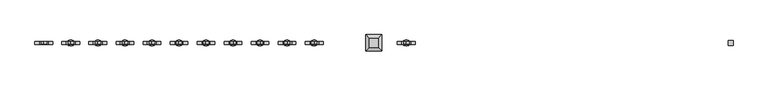
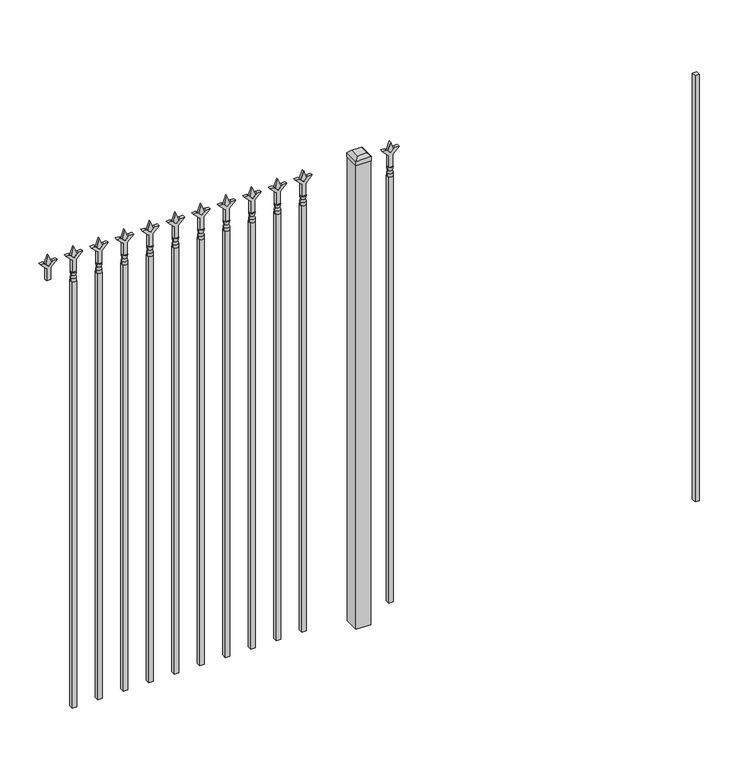
"""IFC4 building model written with IfcOpenShell, lengths in millimetres: railing geometry."""

from ifc_helpers import new_model, si_unit, frame, origin, origin_with_axes, place, context, project, spatial, polyline, circle_curve, outline, extrude, faceted_brep, source, transform, mapped, element, save
from ifc_brep_helpers import plane_surface, cylinder_surface, revolved_surface, advanced_brep


def railing_ee62e265(model_context):
    return source(origin(), model_context, "Body", "SolidModel", [
        extrude(outline(polyline([(-58337.005587, 5470.2679826), (-58317.955587, 5470.2679826), (-58317.955587, 5451.2179826), (-58337.005587, 5451.2179826), (-58337.005587, 5470.2679826)])), frame((0.0, 0.0, 50.8), z_axis=(0.0, 0.0, 1.0), x_axis=(1.0, 0.0, 0.0)), (0.0, 0.0, 1.0), 1930.4),
        extrude(outline(polyline([(2097.88125, -59626.849337), (2133.6, -59638.755587), (2097.88125, -59650.661837), (2085.975, -59638.755587), (2097.88125, -59626.849337)])), frame((0.0, 5455.9804826, 0.0), z_axis=(0.0, 1.0, 0.0), x_axis=(0.0, 0.0, 1.0)), (0.0, 0.0, 1.0), 9.525),
        extrude(outline(polyline([(2022.475, -59630.024337), (2076.7457378, -59630.024337), (2103.9355122, -59602.8345625), (2103.9355122, -59620.7950747), (2085.975, -59638.755587), (2103.9355122, -59656.7160992), (2103.9355122, -59674.6766114), (2076.7457378, -59647.486837), (2022.475, -59647.486837), (2022.475, -59630.024337)])), frame((0.0, 5454.3929826, 0.0), z_axis=(0.0, 1.0, 0.0), x_axis=(0.0, 0.0, 1.0)), (0.0, 0.0, 1.0), 12.7),
        advanced_brep(
        [(-59626.849337, 5460.7429826, 1993.9), (-59650.661837, 5460.7429826, 1993.9), (-59650.661837, 5460.7429826, 1981.2), (-59626.849337, 5460.7429826, 1981.2), (-59629.0546688, 5460.7429826, 2006.4070585), (-59648.4565051, 5460.7429826, 2006.4070585), (-59626.849337, 5460.7429826, 2022.475), (-59650.661837, 5460.7429826, 2022.475), (-59638.755587, 5460.7429826, 2022.475), (-59638.755587, 5460.7429826, 1981.2)],
        [
            (0, 1, circle_curve(frame((-59638.755587, 5460.7429826, 1993.9), z_axis=(0.0, 0.0, -1.0), x_axis=(-1.0, 0.0, 0.0)), 11.90625)),
            (1, 2),
            (2, 3, circle_curve(frame((-59638.755587, 5460.7429826, 1981.2), z_axis=(0.0, 0.0, 1.0), x_axis=(-1.0, 0.0, 0.0)), 11.90625)),
            (3, 0),
            (1, 0, circle_curve(frame((-59638.755587, 5460.7429826, 1993.9), z_axis=(0.0, 0.0, -1.0), x_axis=(-1.0, 0.0, 0.0)), 11.90625)),
            (3, 2, circle_curve(frame((-59638.755587, 5460.7429826, 1981.2), z_axis=(0.0, 0.0, 1.0), x_axis=(-1.0, 0.0, 0.0)), 11.90625)),
            (4, 5, circle_curve(frame((-59638.755587, 5460.7429826, 2006.4070585), z_axis=(0.0, 0.0, -1.0), x_axis=(-1.0, 0.0, 0.0)), 9.7009181)),
            (5, 1),
            (0, 4),
            (5, 4, circle_curve(frame((-59638.755587, 5460.7429826, 2006.4070585), z_axis=(0.0, 0.0, -1.0), x_axis=(-1.0, 0.0, 0.0)), 9.7009181)),
            (6, 7, circle_curve(frame((-59638.755587, 5460.7429826, 2022.475), z_axis=(0.0, 0.0, -1.0), x_axis=(-1.0, 0.0, 0.0)), 11.90625)),
            (7, 5),
            (4, 6),
            (7, 6, circle_curve(frame((-59638.755587, 5460.7429826, 2022.475), z_axis=(0.0, 0.0, -1.0), x_axis=(-1.0, 0.0, 0.0)), 11.90625)),
            (8, 7),
            (6, 8),
            (2, 9),
            (9, 3),
        ],
        [
            cylinder_surface(frame((-59638.755587, 5460.7429826, 1981.2), z_axis=(0.0, 0.0, 1.0), x_axis=(-1.0, 0.0, 0.0)), 11.90625),
            revolved_surface(polyline([(-59650.661837, 5460.7429826, 1993.9), (-59648.4565051, 5460.7429826, 2006.4070585)]), (-59638.755587, 5460.7429826, 1981.2), (0.0, 0.0, 1.0)),
            revolved_surface(polyline([(-59648.4565051, 5460.7429826, 2006.4070585), (-59650.661837, 5460.7429826, 2022.475)]), (-59638.755587, 5460.7429826, 1981.2), (0.0, 0.0, 1.0)),
            plane_surface(frame((-59638.755587, 5460.7429826, 2022.475), z_axis=(0.0, 0.0, 1.0), x_axis=(-1.0, 0.0, 0.0))),
            plane_surface(frame((-59638.755587, 5460.7429826, 1981.2), z_axis=(0.0, 0.0, -1.0), x_axis=(-1.0, 0.0, 0.0))),
        ],
        [
            (0, [[1, 2, 3, 4]]),
            (0, [[5, -4, 6, -2]]),
            (1, [[7, 8, -1, 9]]),
            (1, [[10, -9, -5, -8]]),
            (2, [[11, 12, -7, 13]]),
            (2, [[14, -13, -10, -12]]),
            (3, [[15, -11, 16]]),
            (3, [[-16, -14, -15]]),
            (4, [[-3, 17, 18]]),
            (4, [[-6, -18, -17]]),
        ],
    ),
        extrude(outline(polyline([(-59648.280587, 5470.2679826), (-59629.230587, 5470.2679826), (-59629.230587, 5451.2179826), (-59648.280587, 5451.2179826), (-59648.280587, 5470.2679826)])), frame((0.0, 0.0, 50.8), z_axis=(0.0, 0.0, 1.0), x_axis=(1.0, 0.0, 0.0)), (0.0, 0.0, 1.0), 1930.4),
        extrude(outline(polyline([(-59738.768087, 5492.4929826), (-59738.768087, 5428.9929826), (-59802.268087, 5428.9929826), (-59802.268087, 5492.4929826), (-59738.768087, 5492.4929826)])), origin_with_axes(), (0.0, 0.0, 1.0), 2101.85),
        faceted_brep([(-59803.855587, 5494.0804826, 2120.9), (-59803.855587, 5494.0804826, 2101.85), (-59803.855587, 5427.4054826, 2101.85), (-59803.855587, 5427.4054826, 2120.9), (-59791.155587, 5481.3804826, 2133.6), (-59791.155587, 5440.1054826, 2133.6), (-59737.180587, 5427.4054826, 2101.85), (-59737.180587, 5427.4054826, 2120.9), (-59749.880587, 5440.1054826, 2133.6), (-59737.180587, 5494.0804826, 2101.85), (-59737.180587, 5494.0804826, 2120.9), (-59749.880587, 5481.3804826, 2133.6)], [[[0, 1, 2, 3]], [[4, 0, 3, 5]], [[3, 2, 6, 7]], [[5, 3, 7, 8]], [[7, 6, 9, 10]], [[8, 7, 10, 11]], [[10, 9, 1, 0]], [[11, 10, 0, 4]], [[5, 8, 11, 4]], [[1, 9, 6, 2]]]),
        extrude(outline(polyline([(2097.88125, -59999.6472536), (2133.6, -60011.5535036), (2097.88125, -60023.4597536), (2085.975, -60011.5535036), (2097.88125, -59999.6472536)])), frame((0.0, 5455.9804826, 0.0), z_axis=(0.0, 1.0, 0.0), x_axis=(0.0, 0.0, 1.0)), (0.0, 0.0, 1.0), 9.525),
        extrude(outline(polyline([(2022.475, -60002.8222536), (2076.7457378, -60002.8222536), (2103.9355122, -59975.6324791), (2103.9355122, -59993.5929914), (2085.975, -60011.5535036), (2103.9355122, -60029.5140159), (2103.9355122, -60047.4745281), (2076.7457378, -60020.2847536), (2022.475, -60020.2847536), (2022.475, -60002.8222536)])), frame((0.0, 5454.3929826, 0.0), z_axis=(0.0, 1.0, 0.0), x_axis=(0.0, 0.0, 1.0)), (0.0, 0.0, 1.0), 12.7),
        advanced_brep(
        [(-59999.6472536, 5460.7429826, 1993.9), (-60023.4597536, 5460.7429826, 1993.9), (-60023.4597536, 5460.7429826, 1981.2), (-59999.6472536, 5460.7429826, 1981.2), (-60001.8525855, 5460.7429826, 2006.4070585), (-60021.2544218, 5460.7429826, 2006.4070585), (-59999.6472536, 5460.7429826, 2022.475), (-60023.4597536, 5460.7429826, 2022.475), (-60011.5535036, 5460.7429826, 2022.475), (-60011.5535036, 5460.7429826, 1981.2)],
        [
            (0, 1, circle_curve(frame((-60011.5535036, 5460.7429826, 1993.9), z_axis=(0.0, 0.0, -1.0), x_axis=(-1.0, 0.0, 0.0)), 11.90625)),
            (1, 2),
            (2, 3, circle_curve(frame((-60011.5535036, 5460.7429826, 1981.2), z_axis=(0.0, 0.0, 1.0), x_axis=(-1.0, 0.0, 0.0)), 11.90625)),
            (3, 0),
            (1, 0, circle_curve(frame((-60011.5535036, 5460.7429826, 1993.9), z_axis=(0.0, 0.0, -1.0), x_axis=(-1.0, 0.0, 0.0)), 11.90625)),
            (3, 2, circle_curve(frame((-60011.5535036, 5460.7429826, 1981.2), z_axis=(0.0, 0.0, 1.0), x_axis=(-1.0, 0.0, 0.0)), 11.90625)),
            (4, 5, circle_curve(frame((-60011.5535036, 5460.7429826, 2006.4070585), z_axis=(0.0, 0.0, -1.0), x_axis=(-1.0, 0.0, 0.0)), 9.7009181)),
            (5, 1),
            (0, 4),
            (5, 4, circle_curve(frame((-60011.5535036, 5460.7429826, 2006.4070585), z_axis=(0.0, 0.0, -1.0), x_axis=(-1.0, 0.0, 0.0)), 9.7009181)),
            (6, 7, circle_curve(frame((-60011.5535036, 5460.7429826, 2022.475), z_axis=(0.0, 0.0, -1.0), x_axis=(-1.0, 0.0, 0.0)), 11.90625)),
            (7, 5),
            (4, 6),
            (7, 6, circle_curve(frame((-60011.5535036, 5460.7429826, 2022.475), z_axis=(0.0, 0.0, -1.0), x_axis=(-1.0, 0.0, 0.0)), 11.90625)),
            (8, 7),
            (6, 8),
            (2, 9),
            (9, 3),
        ],
        [
            cylinder_surface(frame((-60011.5535036, 5460.7429826, 1981.2), z_axis=(0.0, 0.0, 1.0), x_axis=(-1.0, 0.0, 0.0)), 11.90625),
            revolved_surface(polyline([(-60023.4597536, 5460.7429826, 1993.9), (-60021.2544218, 5460.7429826, 2006.4070585)]), (-60011.5535036, 5460.7429826, 1981.2), (0.0, 0.0, 1.0)),
            revolved_surface(polyline([(-60021.2544218, 5460.7429826, 2006.4070585), (-60023.4597536, 5460.7429826, 2022.475)]), (-60011.5535036, 5460.7429826, 1981.2), (0.0, 0.0, 1.0)),
            plane_surface(frame((-60011.5535036, 5460.7429826, 2022.475), z_axis=(0.0, 0.0, 1.0), x_axis=(-1.0, 0.0, 0.0))),
            plane_surface(frame((-60011.5535036, 5460.7429826, 1981.2), z_axis=(0.0, 0.0, -1.0), x_axis=(-1.0, 0.0, 0.0))),
        ],
        [
            (0, [[1, 2, 3, 4]]),
            (0, [[5, -4, 6, -2]]),
            (1, [[7, 8, -1, 9]]),
            (1, [[10, -9, -5, -8]]),
            (2, [[11, 12, -7, 13]]),
            (2, [[14, -13, -10, -12]]),
            (3, [[15, -11, 16]]),
            (3, [[-16, -14, -15]]),
            (4, [[-3, 17, 18]]),
            (4, [[-6, -18, -17]]),
        ],
    ),
        extrude(outline(polyline([(-60021.0785036, 5470.2679826), (-60002.0285036, 5470.2679826), (-60002.0285036, 5451.2179826), (-60021.0785036, 5451.2179826), (-60021.0785036, 5470.2679826)])), frame((0.0, 0.0, 50.8), z_axis=(0.0, 0.0, 1.0), x_axis=(1.0, 0.0, 0.0)), (0.0, 0.0, 1.0), 1930.4),
        extrude(outline(polyline([(2097.88125, -60108.9201703), (2133.6, -60120.8264203), (2097.88125, -60132.7326703), (2085.975, -60120.8264203), (2097.88125, -60108.9201703)])), frame((0.0, 5455.9804826, 0.0), z_axis=(0.0, 1.0, 0.0), x_axis=(0.0, 0.0, 1.0)), (0.0, 0.0, 1.0), 9.525),
        extrude(outline(polyline([(2022.475, -60112.0951703), (2076.7457378, -60112.0951703), (2103.9355122, -60084.9053958), (2103.9355122, -60102.8659081), (2085.975, -60120.8264203), (2103.9355122, -60138.7869325), (2103.9355122, -60156.7474448), (2076.7457378, -60129.5576703), (2022.475, -60129.5576703), (2022.475, -60112.0951703)])), frame((0.0, 5454.3929826, 0.0), z_axis=(0.0, 1.0, 0.0), x_axis=(0.0, 0.0, 1.0)), (0.0, 0.0, 1.0), 12.7),
        advanced_brep(
        [(-60108.9201703, 5460.7429826, 1993.9), (-60132.7326703, 5460.7429826, 1993.9), (-60132.7326703, 5460.7429826, 1981.2), (-60108.9201703, 5460.7429826, 1981.2), (-60111.1255022, 5460.7429826, 2006.4070585), (-60130.5273384, 5460.7429826, 2006.4070585), (-60108.9201703, 5460.7429826, 2022.475), (-60132.7326703, 5460.7429826, 2022.475), (-60120.8264203, 5460.7429826, 2022.475), (-60120.8264203, 5460.7429826, 1981.2)],
        [
            (0, 1, circle_curve(frame((-60120.8264203, 5460.7429826, 1993.9), z_axis=(0.0, 0.0, -1.0), x_axis=(-1.0, 0.0, 0.0)), 11.90625)),
            (1, 2),
            (2, 3, circle_curve(frame((-60120.8264203, 5460.7429826, 1981.2), z_axis=(0.0, 0.0, 1.0), x_axis=(-1.0, 0.0, 0.0)), 11.90625)),
            (3, 0),
            (1, 0, circle_curve(frame((-60120.8264203, 5460.7429826, 1993.9), z_axis=(0.0, 0.0, -1.0), x_axis=(-1.0, 0.0, 0.0)), 11.90625)),
            (3, 2, circle_curve(frame((-60120.8264203, 5460.7429826, 1981.2), z_axis=(0.0, 0.0, 1.0), x_axis=(-1.0, 0.0, 0.0)), 11.90625)),
            (4, 5, circle_curve(frame((-60120.8264203, 5460.7429826, 2006.4070585), z_axis=(0.0, 0.0, -1.0), x_axis=(-1.0, 0.0, 0.0)), 9.7009181)),
            (5, 1),
            (0, 4),
            (5, 4, circle_curve(frame((-60120.8264203, 5460.7429826, 2006.4070585), z_axis=(0.0, 0.0, -1.0), x_axis=(-1.0, 0.0, 0.0)), 9.7009181)),
            (6, 7, circle_curve(frame((-60120.8264203, 5460.7429826, 2022.475), z_axis=(0.0, 0.0, -1.0), x_axis=(-1.0, 0.0, 0.0)), 11.90625)),
            (7, 5),
            (4, 6),
            (7, 6, circle_curve(frame((-60120.8264203, 5460.7429826, 2022.475), z_axis=(0.0, 0.0, -1.0), x_axis=(-1.0, 0.0, 0.0)), 11.90625)),
            (8, 7),
            (6, 8),
            (2, 9),
            (9, 3),
        ],
        [
            cylinder_surface(frame((-60120.8264203, 5460.7429826, 1981.2), z_axis=(0.0, 0.0, 1.0), x_axis=(-1.0, 0.0, 0.0)), 11.90625),
            revolved_surface(polyline([(-60132.7326703, 5460.7429826, 1993.9), (-60130.5273384, 5460.7429826, 2006.4070585)]), (-60120.8264203, 5460.7429826, 1981.2), (0.0, 0.0, 1.0)),
            revolved_surface(polyline([(-60130.5273384, 5460.7429826, 2006.4070585), (-60132.7326703, 5460.7429826, 2022.475)]), (-60120.8264203, 5460.7429826, 1981.2), (0.0, 0.0, 1.0)),
            plane_surface(frame((-60120.8264203, 5460.7429826, 2022.475), z_axis=(0.0, 0.0, 1.0), x_axis=(-1.0, 0.0, 0.0))),
            plane_surface(frame((-60120.8264203, 5460.7429826, 1981.2), z_axis=(0.0, 0.0, -1.0), x_axis=(-1.0, 0.0, 0.0))),
        ],
        [
            (0, [[1, 2, 3, 4]]),
            (0, [[5, -4, 6, -2]]),
            (1, [[7, 8, -1, 9]]),
            (1, [[10, -9, -5, -8]]),
            (2, [[11, 12, -7, 13]]),
            (2, [[14, -13, -10, -12]]),
            (3, [[15, -11, 16]]),
            (3, [[-16, -14, -15]]),
            (4, [[-3, 17, 18]]),
            (4, [[-6, -18, -17]]),
        ],
    ),
        extrude(outline(polyline([(-60130.3514203, 5470.2679826), (-60111.3014203, 5470.2679826), (-60111.3014203, 5451.2179826), (-60130.3514203, 5451.2179826), (-60130.3514203, 5470.2679826)])), frame((0.0, 0.0, 50.8), z_axis=(0.0, 0.0, 1.0), x_axis=(1.0, 0.0, 0.0)), (0.0, 0.0, 1.0), 1930.4),
        extrude(outline(polyline([(2097.88125, -60218.193087), (2133.6, -60230.099337), (2097.88125, -60242.005587), (2085.975, -60230.099337), (2097.88125, -60218.193087)])), frame((0.0, 5455.9804826, 0.0), z_axis=(0.0, 1.0, 0.0), x_axis=(0.0, 0.0, 1.0)), (0.0, 0.0, 1.0), 9.525),
        extrude(outline(polyline([(2022.475, -60221.368087), (2076.7457378, -60221.368087), (2103.9355122, -60194.1783125), (2103.9355122, -60212.1388247), (2085.975, -60230.099337), (2103.9355122, -60248.0598492), (2103.9355122, -60266.0203614), (2076.7457378, -60238.830587), (2022.475, -60238.830587), (2022.475, -60221.368087)])), frame((0.0, 5454.3929826, 0.0), z_axis=(0.0, 1.0, 0.0), x_axis=(0.0, 0.0, 1.0)), (0.0, 0.0, 1.0), 12.7),
        advanced_brep(
        [(-60218.193087, 5460.7429826, 1993.9), (-60242.005587, 5460.7429826, 1993.9), (-60242.005587, 5460.7429826, 1981.2), (-60218.193087, 5460.7429826, 1981.2), (-60220.3984188, 5460.7429826, 2006.4070585), (-60239.8002551, 5460.7429826, 2006.4070585), (-60218.193087, 5460.7429826, 2022.475), (-60242.005587, 5460.7429826, 2022.475), (-60230.099337, 5460.7429826, 2022.475), (-60230.099337, 5460.7429826, 1981.2)],
        [
            (0, 1, circle_curve(frame((-60230.099337, 5460.7429826, 1993.9), z_axis=(0.0, 0.0, -1.0), x_axis=(-1.0, 0.0, 0.0)), 11.90625)),
            (1, 2),
            (2, 3, circle_curve(frame((-60230.099337, 5460.7429826, 1981.2), z_axis=(0.0, 0.0, 1.0), x_axis=(-1.0, 0.0, 0.0)), 11.90625)),
            (3, 0),
            (1, 0, circle_curve(frame((-60230.099337, 5460.7429826, 1993.9), z_axis=(0.0, 0.0, -1.0), x_axis=(-1.0, 0.0, 0.0)), 11.90625)),
            (3, 2, circle_curve(frame((-60230.099337, 5460.7429826, 1981.2), z_axis=(0.0, 0.0, 1.0), x_axis=(-1.0, 0.0, 0.0)), 11.90625)),
            (4, 5, circle_curve(frame((-60230.099337, 5460.7429826, 2006.4070585), z_axis=(0.0, 0.0, -1.0), x_axis=(-1.0, 0.0, 0.0)), 9.7009181)),
            (5, 1),
            (0, 4),
            (5, 4, circle_curve(frame((-60230.099337, 5460.7429826, 2006.4070585), z_axis=(0.0, 0.0, -1.0), x_axis=(-1.0, 0.0, 0.0)), 9.7009181)),
            (6, 7, circle_curve(frame((-60230.099337, 5460.7429826, 2022.475), z_axis=(0.0, 0.0, -1.0), x_axis=(-1.0, 0.0, 0.0)), 11.90625)),
            (7, 5),
            (4, 6),
            (7, 6, circle_curve(frame((-60230.099337, 5460.7429826, 2022.475), z_axis=(0.0, 0.0, -1.0), x_axis=(-1.0, 0.0, 0.0)), 11.90625)),
            (8, 7),
            (6, 8),
            (2, 9),
            (9, 3),
        ],
        [
            cylinder_surface(frame((-60230.099337, 5460.7429826, 1981.2), z_axis=(0.0, 0.0, 1.0), x_axis=(-1.0, 0.0, 0.0)), 11.90625),
            revolved_surface(polyline([(-60242.005587, 5460.7429826, 1993.9), (-60239.8002551, 5460.7429826, 2006.4070585)]), (-60230.099337, 5460.7429826, 1981.2), (0.0, 0.0, 1.0)),
            revolved_surface(polyline([(-60239.8002551, 5460.7429826, 2006.4070585), (-60242.005587, 5460.7429826, 2022.475)]), (-60230.099337, 5460.7429826, 1981.2), (0.0, 0.0, 1.0)),
            plane_surface(frame((-60230.099337, 5460.7429826, 2022.475), z_axis=(0.0, 0.0, 1.0), x_axis=(-1.0, 0.0, 0.0))),
            plane_surface(frame((-60230.099337, 5460.7429826, 1981.2), z_axis=(0.0, 0.0, -1.0), x_axis=(-1.0, 0.0, 0.0))),
        ],
        [
            (0, [[1, 2, 3, 4]]),
            (0, [[5, -4, 6, -2]]),
            (1, [[7, 8, -1, 9]]),
            (1, [[10, -9, -5, -8]]),
            (2, [[11, 12, -7, 13]]),
            (2, [[14, -13, -10, -12]]),
            (3, [[15, -11, 16]]),
            (3, [[-16, -14, -15]]),
            (4, [[-3, 17, 18]]),
            (4, [[-6, -18, -17]]),
        ],
    ),
        extrude(outline(polyline([(-60239.624337, 5470.2679826), (-60220.574337, 5470.2679826), (-60220.574337, 5451.2179826), (-60239.624337, 5451.2179826), (-60239.624337, 5470.2679826)])), frame((0.0, 0.0, 50.8), z_axis=(0.0, 0.0, 1.0), x_axis=(1.0, 0.0, 0.0)), (0.0, 0.0, 1.0), 1930.4),
        extrude(outline(polyline([(2097.88125, -60327.4660036), (2133.6, -60339.3722536), (2097.88125, -60351.2785036), (2085.975, -60339.3722536), (2097.88125, -60327.4660036)])), frame((0.0, 5455.9804826, 0.0), z_axis=(0.0, 1.0, 0.0), x_axis=(0.0, 0.0, 1.0)), (0.0, 0.0, 1.0), 9.525),
        extrude(outline(polyline([(2022.475, -60330.6410036), (2076.7457378, -60330.6410036), (2103.9355122, -60303.4512291), (2103.9355122, -60321.4117414), (2085.975, -60339.3722536), (2103.9355122, -60357.3327659), (2103.9355122, -60375.2932781), (2076.7457378, -60348.1035036), (2022.475, -60348.1035036), (2022.475, -60330.6410036)])), frame((0.0, 5454.3929826, 0.0), z_axis=(0.0, 1.0, 0.0), x_axis=(0.0, 0.0, 1.0)), (0.0, 0.0, 1.0), 12.7),
        advanced_brep(
        [(-60327.4660036, 5460.7429826, 1993.9), (-60351.2785036, 5460.7429826, 1993.9), (-60351.2785036, 5460.7429826, 1981.2), (-60327.4660036, 5460.7429826, 1981.2), (-60329.6713355, 5460.7429826, 2006.4070585), (-60349.0731718, 5460.7429826, 2006.4070585), (-60327.4660036, 5460.7429826, 2022.475), (-60351.2785036, 5460.7429826, 2022.475), (-60339.3722536, 5460.7429826, 2022.475), (-60339.3722536, 5460.7429826, 1981.2)],
        [
            (0, 1, circle_curve(frame((-60339.3722536, 5460.7429826, 1993.9), z_axis=(0.0, 0.0, -1.0), x_axis=(-1.0, 0.0, 0.0)), 11.90625)),
            (1, 2),
            (2, 3, circle_curve(frame((-60339.3722536, 5460.7429826, 1981.2), z_axis=(0.0, 0.0, 1.0), x_axis=(-1.0, 0.0, 0.0)), 11.90625)),
            (3, 0),
            (1, 0, circle_curve(frame((-60339.3722536, 5460.7429826, 1993.9), z_axis=(0.0, 0.0, -1.0), x_axis=(-1.0, 0.0, 0.0)), 11.90625)),
            (3, 2, circle_curve(frame((-60339.3722536, 5460.7429826, 1981.2), z_axis=(0.0, 0.0, 1.0), x_axis=(-1.0, 0.0, 0.0)), 11.90625)),
            (4, 5, circle_curve(frame((-60339.3722536, 5460.7429826, 2006.4070585), z_axis=(0.0, 0.0, -1.0), x_axis=(-1.0, 0.0, 0.0)), 9.7009181)),
            (5, 1),
            (0, 4),
            (5, 4, circle_curve(frame((-60339.3722536, 5460.7429826, 2006.4070585), z_axis=(0.0, 0.0, -1.0), x_axis=(-1.0, 0.0, 0.0)), 9.7009181)),
            (6, 7, circle_curve(frame((-60339.3722536, 5460.7429826, 2022.475), z_axis=(0.0, 0.0, -1.0), x_axis=(-1.0, 0.0, 0.0)), 11.90625)),
            (7, 5),
            (4, 6),
            (7, 6, circle_curve(frame((-60339.3722536, 5460.7429826, 2022.475), z_axis=(0.0, 0.0, -1.0), x_axis=(-1.0, 0.0, 0.0)), 11.90625)),
            (8, 7),
            (6, 8),
            (2, 9),
            (9, 3),
        ],
        [
            cylinder_surface(frame((-60339.3722536, 5460.7429826, 1981.2), z_axis=(0.0, 0.0, 1.0), x_axis=(-1.0, 0.0, 0.0)), 11.90625),
            revolved_surface(polyline([(-60351.2785036, 5460.7429826, 1993.9), (-60349.0731718, 5460.7429826, 2006.4070585)]), (-60339.3722536, 5460.7429826, 1981.2), (0.0, 0.0, 1.0)),
            revolved_surface(polyline([(-60349.0731718, 5460.7429826, 2006.4070585), (-60351.2785036, 5460.7429826, 2022.475)]), (-60339.3722536, 5460.7429826, 1981.2), (0.0, 0.0, 1.0)),
            plane_surface(frame((-60339.3722536, 5460.7429826, 2022.475), z_axis=(0.0, 0.0, 1.0), x_axis=(-1.0, 0.0, 0.0))),
            plane_surface(frame((-60339.3722536, 5460.7429826, 1981.2), z_axis=(0.0, 0.0, -1.0), x_axis=(-1.0, 0.0, 0.0))),
        ],
        [
            (0, [[1, 2, 3, 4]]),
            (0, [[5, -4, 6, -2]]),
            (1, [[7, 8, -1, 9]]),
            (1, [[10, -9, -5, -8]]),
            (2, [[11, 12, -7, 13]]),
            (2, [[14, -13, -10, -12]]),
            (3, [[15, -11, 16]]),
            (3, [[-16, -14, -15]]),
            (4, [[-3, 17, 18]]),
            (4, [[-6, -18, -17]]),
        ],
    ),
        extrude(outline(polyline([(-60348.8972536, 5470.2679826), (-60329.8472536, 5470.2679826), (-60329.8472536, 5451.2179826), (-60348.8972536, 5451.2179826), (-60348.8972536, 5470.2679826)])), frame((0.0, 0.0, 50.8), z_axis=(0.0, 0.0, 1.0), x_axis=(1.0, 0.0, 0.0)), (0.0, 0.0, 1.0), 1930.4),
        extrude(outline(polyline([(2097.88125, -60436.7389203), (2133.6, -60448.6451703), (2097.88125, -60460.5514203), (2085.975, -60448.6451703), (2097.88125, -60436.7389203)])), frame((0.0, 5455.9804826, 0.0), z_axis=(0.0, 1.0, 0.0), x_axis=(0.0, 0.0, 1.0)), (0.0, 0.0, 1.0), 9.525),
        extrude(outline(polyline([(2022.475, -60439.9139203), (2076.7457378, -60439.9139203), (2103.9355122, -60412.7241458), (2103.9355122, -60430.6846581), (2085.975, -60448.6451703), (2103.9355122, -60466.6056825), (2103.9355122, -60484.5661948), (2076.7457378, -60457.3764203), (2022.475, -60457.3764203), (2022.475, -60439.9139203)])), frame((0.0, 5454.3929826, 0.0), z_axis=(0.0, 1.0, 0.0), x_axis=(0.0, 0.0, 1.0)), (0.0, 0.0, 1.0), 12.7),
        advanced_brep(
        [(-60436.7389203, 5460.7429826, 1993.9), (-60460.5514203, 5460.7429826, 1993.9), (-60460.5514203, 5460.7429826, 1981.2), (-60436.7389203, 5460.7429826, 1981.2), (-60438.9442522, 5460.7429826, 2006.4070585), (-60458.3460884, 5460.7429826, 2006.4070585), (-60436.7389203, 5460.7429826, 2022.475), (-60460.5514203, 5460.7429826, 2022.475), (-60448.6451703, 5460.7429826, 2022.475), (-60448.6451703, 5460.7429826, 1981.2)],
        [
            (0, 1, circle_curve(frame((-60448.6451703, 5460.7429826, 1993.9), z_axis=(0.0, 0.0, -1.0), x_axis=(-1.0, 0.0, 0.0)), 11.90625)),
            (1, 2),
            (2, 3, circle_curve(frame((-60448.6451703, 5460.7429826, 1981.2), z_axis=(0.0, 0.0, 1.0), x_axis=(-1.0, 0.0, 0.0)), 11.90625)),
            (3, 0),
            (1, 0, circle_curve(frame((-60448.6451703, 5460.7429826, 1993.9), z_axis=(0.0, 0.0, -1.0), x_axis=(-1.0, 0.0, 0.0)), 11.90625)),
            (3, 2, circle_curve(frame((-60448.6451703, 5460.7429826, 1981.2), z_axis=(0.0, 0.0, 1.0), x_axis=(-1.0, 0.0, 0.0)), 11.90625)),
            (4, 5, circle_curve(frame((-60448.6451703, 5460.7429826, 2006.4070585), z_axis=(0.0, 0.0, -1.0), x_axis=(-1.0, 0.0, 0.0)), 9.7009181)),
            (5, 1),
            (0, 4),
            (5, 4, circle_curve(frame((-60448.6451703, 5460.7429826, 2006.4070585), z_axis=(0.0, 0.0, -1.0), x_axis=(-1.0, 0.0, 0.0)), 9.7009181)),
            (6, 7, circle_curve(frame((-60448.6451703, 5460.7429826, 2022.475), z_axis=(0.0, 0.0, -1.0), x_axis=(-1.0, 0.0, 0.0)), 11.90625)),
            (7, 5),
            (4, 6),
            (7, 6, circle_curve(frame((-60448.6451703, 5460.7429826, 2022.475), z_axis=(0.0, 0.0, -1.0), x_axis=(-1.0, 0.0, 0.0)), 11.90625)),
            (8, 7),
            (6, 8),
            (2, 9),
            (9, 3),
        ],
        [
            cylinder_surface(frame((-60448.6451703, 5460.7429826, 1981.2), z_axis=(0.0, 0.0, 1.0), x_axis=(-1.0, 0.0, 0.0)), 11.90625),
            revolved_surface(polyline([(-60460.5514203, 5460.7429826, 1993.9), (-60458.3460884, 5460.7429826, 2006.4070585)]), (-60448.6451703, 5460.7429826, 1981.2), (0.0, 0.0, 1.0)),
            revolved_surface(polyline([(-60458.3460884, 5460.7429826, 2006.4070585), (-60460.5514203, 5460.7429826, 2022.475)]), (-60448.6451703, 5460.7429826, 1981.2), (0.0, 0.0, 1.0)),
            plane_surface(frame((-60448.6451703, 5460.7429826, 2022.475), z_axis=(0.0, 0.0, 1.0), x_axis=(-1.0, 0.0, 0.0))),
            plane_surface(frame((-60448.6451703, 5460.7429826, 1981.2), z_axis=(0.0, 0.0, -1.0), x_axis=(-1.0, 0.0, 0.0))),
        ],
        [
            (0, [[1, 2, 3, 4]]),
            (0, [[5, -4, 6, -2]]),
            (1, [[7, 8, -1, 9]]),
            (1, [[10, -9, -5, -8]]),
            (2, [[11, 12, -7, 13]]),
            (2, [[14, -13, -10, -12]]),
            (3, [[15, -11, 16]]),
            (3, [[-16, -14, -15]]),
            (4, [[-3, 17, 18]]),
            (4, [[-6, -18, -17]]),
        ],
    ),
        extrude(outline(polyline([(-60458.1701703, 5470.2679826), (-60439.1201703, 5470.2679826), (-60439.1201703, 5451.2179826), (-60458.1701703, 5451.2179826), (-60458.1701703, 5470.2679826)])), frame((0.0, 0.0, 50.8), z_axis=(0.0, 0.0, 1.0), x_axis=(1.0, 0.0, 0.0)), (0.0, 0.0, 1.0), 1930.4),
        extrude(outline(polyline([(2097.88125, -60546.011837), (2133.6, -60557.918087), (2097.88125, -60569.824337), (2085.975, -60557.918087), (2097.88125, -60546.011837)])), frame((0.0, 5455.9804826, 0.0), z_axis=(0.0, 1.0, 0.0), x_axis=(0.0, 0.0, 1.0)), (0.0, 0.0, 1.0), 9.525),
        extrude(outline(polyline([(2022.475, -60549.186837), (2076.7457378, -60549.186837), (2103.9355122, -60521.9970625), (2103.9355122, -60539.9575747), (2085.975, -60557.918087), (2103.9355122, -60575.8785992), (2103.9355122, -60593.8391114), (2076.7457378, -60566.649337), (2022.475, -60566.649337), (2022.475, -60549.186837)])), frame((0.0, 5454.3929826, 0.0), z_axis=(0.0, 1.0, 0.0), x_axis=(0.0, 0.0, 1.0)), (0.0, 0.0, 1.0), 12.7),
        advanced_brep(
        [(-60546.011837, 5460.7429826, 1993.9), (-60569.824337, 5460.7429826, 1993.9), (-60569.824337, 5460.7429826, 1981.2), (-60546.011837, 5460.7429826, 1981.2), (-60548.2171688, 5460.7429826, 2006.4070585), (-60567.6190051, 5460.7429826, 2006.4070585), (-60546.011837, 5460.7429826, 2022.475), (-60569.824337, 5460.7429826, 2022.475), (-60557.918087, 5460.7429826, 2022.475), (-60557.918087, 5460.7429826, 1981.2)],
        [
            (0, 1, circle_curve(frame((-60557.918087, 5460.7429826, 1993.9), z_axis=(0.0, 0.0, -1.0), x_axis=(-1.0, 0.0, 0.0)), 11.90625)),
            (1, 2),
            (2, 3, circle_curve(frame((-60557.918087, 5460.7429826, 1981.2), z_axis=(0.0, 0.0, 1.0), x_axis=(-1.0, 0.0, 0.0)), 11.90625)),
            (3, 0),
            (1, 0, circle_curve(frame((-60557.918087, 5460.7429826, 1993.9), z_axis=(0.0, 0.0, -1.0), x_axis=(-1.0, 0.0, 0.0)), 11.90625)),
            (3, 2, circle_curve(frame((-60557.918087, 5460.7429826, 1981.2), z_axis=(0.0, 0.0, 1.0), x_axis=(-1.0, 0.0, 0.0)), 11.90625)),
            (4, 5, circle_curve(frame((-60557.918087, 5460.7429826, 2006.4070585), z_axis=(0.0, 0.0, -1.0), x_axis=(-1.0, 0.0, 0.0)), 9.7009181)),
            (5, 1),
            (0, 4),
            (5, 4, circle_curve(frame((-60557.918087, 5460.7429826, 2006.4070585), z_axis=(0.0, 0.0, -1.0), x_axis=(-1.0, 0.0, 0.0)), 9.7009181)),
            (6, 7, circle_curve(frame((-60557.918087, 5460.7429826, 2022.475), z_axis=(0.0, 0.0, -1.0), x_axis=(-1.0, 0.0, 0.0)), 11.90625)),
            (7, 5),
            (4, 6),
            (7, 6, circle_curve(frame((-60557.918087, 5460.7429826, 2022.475), z_axis=(0.0, 0.0, -1.0), x_axis=(-1.0, 0.0, 0.0)), 11.90625)),
            (8, 7),
            (6, 8),
            (2, 9),
            (9, 3),
        ],
        [
            cylinder_surface(frame((-60557.918087, 5460.7429826, 1981.2), z_axis=(0.0, 0.0, 1.0), x_axis=(-1.0, 0.0, 0.0)), 11.90625),
            revolved_surface(polyline([(-60569.824337, 5460.7429826, 1993.9), (-60567.6190051, 5460.7429826, 2006.4070585)]), (-60557.918087, 5460.7429826, 1981.2), (0.0, 0.0, 1.0)),
            revolved_surface(polyline([(-60567.6190051, 5460.7429826, 2006.4070585), (-60569.824337, 5460.7429826, 2022.475)]), (-60557.918087, 5460.7429826, 1981.2), (0.0, 0.0, 1.0)),
            plane_surface(frame((-60557.918087, 5460.7429826, 2022.475), z_axis=(0.0, 0.0, 1.0), x_axis=(-1.0, 0.0, 0.0))),
            plane_surface(frame((-60557.918087, 5460.7429826, 1981.2), z_axis=(0.0, 0.0, -1.0), x_axis=(-1.0, 0.0, 0.0))),
        ],
        [
            (0, [[1, 2, 3, 4]]),
            (0, [[5, -4, 6, -2]]),
            (1, [[7, 8, -1, 9]]),
            (1, [[10, -9, -5, -8]]),
            (2, [[11, 12, -7, 13]]),
            (2, [[14, -13, -10, -12]]),
            (3, [[15, -11, 16]]),
            (3, [[-16, -14, -15]]),
            (4, [[-3, 17, 18]]),
            (4, [[-6, -18, -17]]),
        ],
    ),
        extrude(outline(polyline([(-60567.443087, 5470.2679826), (-60548.393087, 5470.2679826), (-60548.393087, 5451.2179826), (-60567.443087, 5451.2179826), (-60567.443087, 5470.2679826)])), frame((0.0, 0.0, 50.8), z_axis=(0.0, 0.0, 1.0), x_axis=(1.0, 0.0, 0.0)), (0.0, 0.0, 1.0), 1930.4),
        extrude(outline(polyline([(2097.88125, -60655.2847536), (2133.6, -60667.1910036), (2097.88125, -60679.0972536), (2085.975, -60667.1910036), (2097.88125, -60655.2847536)])), frame((0.0, 5455.9804826, 0.0), z_axis=(0.0, 1.0, 0.0), x_axis=(0.0, 0.0, 1.0)), (0.0, 0.0, 1.0), 9.525),
        extrude(outline(polyline([(2022.475, -60658.4597536), (2076.7457378, -60658.4597536), (2103.9355122, -60631.2699791), (2103.9355122, -60649.2304914), (2085.975, -60667.1910036), (2103.9355122, -60685.1515159), (2103.9355122, -60703.1120281), (2076.7457378, -60675.9222536), (2022.475, -60675.9222536), (2022.475, -60658.4597536)])), frame((0.0, 5454.3929826, 0.0), z_axis=(0.0, 1.0, 0.0), x_axis=(0.0, 0.0, 1.0)), (0.0, 0.0, 1.0), 12.7),
        advanced_brep(
        [(-60655.2847536, 5460.7429826, 1993.9), (-60679.0972536, 5460.7429826, 1993.9), (-60679.0972536, 5460.7429826, 1981.2), (-60655.2847536, 5460.7429826, 1981.2), (-60657.4900855, 5460.7429826, 2006.4070585), (-60676.8919218, 5460.7429826, 2006.4070585), (-60655.2847536, 5460.7429826, 2022.475), (-60679.0972536, 5460.7429826, 2022.475), (-60667.1910036, 5460.7429826, 2022.475), (-60667.1910036, 5460.7429826, 1981.2)],
        [
            (0, 1, circle_curve(frame((-60667.1910036, 5460.7429826, 1993.9), z_axis=(0.0, 0.0, -1.0), x_axis=(-1.0, 0.0, 0.0)), 11.90625)),
            (1, 2),
            (2, 3, circle_curve(frame((-60667.1910036, 5460.7429826, 1981.2), z_axis=(0.0, 0.0, 1.0), x_axis=(-1.0, 0.0, 0.0)), 11.90625)),
            (3, 0),
            (1, 0, circle_curve(frame((-60667.1910036, 5460.7429826, 1993.9), z_axis=(0.0, 0.0, -1.0), x_axis=(-1.0, 0.0, 0.0)), 11.90625)),
            (3, 2, circle_curve(frame((-60667.1910036, 5460.7429826, 1981.2), z_axis=(0.0, 0.0, 1.0), x_axis=(-1.0, 0.0, 0.0)), 11.90625)),
            (4, 5, circle_curve(frame((-60667.1910036, 5460.7429826, 2006.4070585), z_axis=(0.0, 0.0, -1.0), x_axis=(-1.0, 0.0, 0.0)), 9.7009181)),
            (5, 1),
            (0, 4),
            (5, 4, circle_curve(frame((-60667.1910036, 5460.7429826, 2006.4070585), z_axis=(0.0, 0.0, -1.0), x_axis=(-1.0, 0.0, 0.0)), 9.7009181)),
            (6, 7, circle_curve(frame((-60667.1910036, 5460.7429826, 2022.475), z_axis=(0.0, 0.0, -1.0), x_axis=(-1.0, 0.0, 0.0)), 11.90625)),
            (7, 5),
            (4, 6),
            (7, 6, circle_curve(frame((-60667.1910036, 5460.7429826, 2022.475), z_axis=(0.0, 0.0, -1.0), x_axis=(-1.0, 0.0, 0.0)), 11.90625)),
            (8, 7),
            (6, 8),
            (2, 9),
            (9, 3),
        ],
        [
            cylinder_surface(frame((-60667.1910036, 5460.7429826, 1981.2), z_axis=(0.0, 0.0, 1.0), x_axis=(-1.0, 0.0, 0.0)), 11.90625),
            revolved_surface(polyline([(-60679.0972536, 5460.7429826, 1993.9), (-60676.8919218, 5460.7429826, 2006.4070585)]), (-60667.1910036, 5460.7429826, 1981.2), (0.0, 0.0, 1.0)),
            revolved_surface(polyline([(-60676.8919218, 5460.7429826, 2006.4070585), (-60679.0972536, 5460.7429826, 2022.475)]), (-60667.1910036, 5460.7429826, 1981.2), (0.0, 0.0, 1.0)),
            plane_surface(frame((-60667.1910036, 5460.7429826, 2022.475), z_axis=(0.0, 0.0, 1.0), x_axis=(-1.0, 0.0, 0.0))),
            plane_surface(frame((-60667.1910036, 5460.7429826, 1981.2), z_axis=(0.0, 0.0, -1.0), x_axis=(-1.0, 0.0, 0.0))),
        ],
        [
            (0, [[1, 2, 3, 4]]),
            (0, [[5, -4, 6, -2]]),
            (1, [[7, 8, -1, 9]]),
            (1, [[10, -9, -5, -8]]),
            (2, [[11, 12, -7, 13]]),
            (2, [[14, -13, -10, -12]]),
            (3, [[15, -11, 16]]),
            (3, [[-16, -14, -15]]),
            (4, [[-3, 17, 18]]),
            (4, [[-6, -18, -17]]),
        ],
    ),
        extrude(outline(polyline([(-60676.7160036, 5470.2679826), (-60657.6660036, 5470.2679826), (-60657.6660036, 5451.2179826), (-60676.7160036, 5451.2179826), (-60676.7160036, 5470.2679826)])), frame((0.0, 0.0, 50.8), z_axis=(0.0, 0.0, 1.0), x_axis=(1.0, 0.0, 0.0)), (0.0, 0.0, 1.0), 1930.4),
        extrude(outline(polyline([(2097.88125, -60764.5576703), (2133.6, -60776.4639203), (2097.88125, -60788.3701703), (2085.975, -60776.4639203), (2097.88125, -60764.5576703)])), frame((0.0, 5455.9804826, 0.0), z_axis=(0.0, 1.0, 0.0), x_axis=(0.0, 0.0, 1.0)), (0.0, 0.0, 1.0), 9.525),
        extrude(outline(polyline([(2022.475, -60767.7326703), (2076.7457378, -60767.7326703), (2103.9355122, -60740.5428958), (2103.9355122, -60758.5034081), (2085.975, -60776.4639203), (2103.9355122, -60794.4244325), (2103.9355122, -60812.3849448), (2076.7457378, -60785.1951703), (2022.475, -60785.1951703), (2022.475, -60767.7326703)])), frame((0.0, 5454.3929826, 0.0), z_axis=(0.0, 1.0, 0.0), x_axis=(0.0, 0.0, 1.0)), (0.0, 0.0, 1.0), 12.7),
        advanced_brep(
        [(-60764.5576703, 5460.7429826, 1993.9), (-60788.3701703, 5460.7429826, 1993.9), (-60788.3701703, 5460.7429826, 1981.2), (-60764.5576703, 5460.7429826, 1981.2), (-60766.7630022, 5460.7429826, 2006.4070585), (-60786.1648384, 5460.7429826, 2006.4070585), (-60764.5576703, 5460.7429826, 2022.475), (-60788.3701703, 5460.7429826, 2022.475), (-60776.4639203, 5460.7429826, 2022.475), (-60776.4639203, 5460.7429826, 1981.2)],
        [
            (0, 1, circle_curve(frame((-60776.4639203, 5460.7429826, 1993.9), z_axis=(0.0, 0.0, -1.0), x_axis=(-1.0, 0.0, 0.0)), 11.90625)),
            (1, 2),
            (2, 3, circle_curve(frame((-60776.4639203, 5460.7429826, 1981.2), z_axis=(0.0, 0.0, 1.0), x_axis=(-1.0, 0.0, 0.0)), 11.90625)),
            (3, 0),
            (1, 0, circle_curve(frame((-60776.4639203, 5460.7429826, 1993.9), z_axis=(0.0, 0.0, -1.0), x_axis=(-1.0, 0.0, 0.0)), 11.90625)),
            (3, 2, circle_curve(frame((-60776.4639203, 5460.7429826, 1981.2), z_axis=(0.0, 0.0, 1.0), x_axis=(-1.0, 0.0, 0.0)), 11.90625)),
            (4, 5, circle_curve(frame((-60776.4639203, 5460.7429826, 2006.4070585), z_axis=(0.0, 0.0, -1.0), x_axis=(-1.0, 0.0, 0.0)), 9.7009181)),
            (5, 1),
            (0, 4),
            (5, 4, circle_curve(frame((-60776.4639203, 5460.7429826, 2006.4070585), z_axis=(0.0, 0.0, -1.0), x_axis=(-1.0, 0.0, 0.0)), 9.7009181)),
            (6, 7, circle_curve(frame((-60776.4639203, 5460.7429826, 2022.475), z_axis=(0.0, 0.0, -1.0), x_axis=(-1.0, 0.0, 0.0)), 11.90625)),
            (7, 5),
            (4, 6),
            (7, 6, circle_curve(frame((-60776.4639203, 5460.7429826, 2022.475), z_axis=(0.0, 0.0, -1.0), x_axis=(-1.0, 0.0, 0.0)), 11.90625)),
            (8, 7),
            (6, 8),
            (2, 9),
            (9, 3),
        ],
        [
            cylinder_surface(frame((-60776.4639203, 5460.7429826, 1981.2), z_axis=(0.0, 0.0, 1.0), x_axis=(-1.0, 0.0, 0.0)), 11.90625),
            revolved_surface(polyline([(-60788.3701703, 5460.7429826, 1993.9), (-60786.1648384, 5460.7429826, 2006.4070585)]), (-60776.4639203, 5460.7429826, 1981.2), (0.0, 0.0, 1.0)),
            revolved_surface(polyline([(-60786.1648384, 5460.7429826, 2006.4070585), (-60788.3701703, 5460.7429826, 2022.475)]), (-60776.4639203, 5460.7429826, 1981.2), (0.0, 0.0, 1.0)),
            plane_surface(frame((-60776.4639203, 5460.7429826, 2022.475), z_axis=(0.0, 0.0, 1.0), x_axis=(-1.0, 0.0, 0.0))),
            plane_surface(frame((-60776.4639203, 5460.7429826, 1981.2), z_axis=(0.0, 0.0, -1.0), x_axis=(-1.0, 0.0, 0.0))),
        ],
        [
            (0, [[1, 2, 3, 4]]),
            (0, [[5, -4, 6, -2]]),
            (1, [[7, 8, -1, 9]]),
            (1, [[10, -9, -5, -8]]),
            (2, [[11, 12, -7, 13]]),
            (2, [[14, -13, -10, -12]]),
            (3, [[15, -11, 16]]),
            (3, [[-16, -14, -15]]),
            (4, [[-3, 17, 18]]),
            (4, [[-6, -18, -17]]),
        ],
    ),
        extrude(outline(polyline([(-60785.9889203, 5470.2679826), (-60766.9389203, 5470.2679826), (-60766.9389203, 5451.2179826), (-60785.9889203, 5451.2179826), (-60785.9889203, 5470.2679826)])), frame((0.0, 0.0, 50.8), z_axis=(0.0, 0.0, 1.0), x_axis=(1.0, 0.0, 0.0)), (0.0, 0.0, 1.0), 1930.4),
        extrude(outline(polyline([(2097.88125, -60873.830587), (2133.6, -60885.736837), (2097.88125, -60897.643087), (2085.975, -60885.736837), (2097.88125, -60873.830587)])), frame((0.0, 5455.9804826, 0.0), z_axis=(0.0, 1.0, 0.0), x_axis=(0.0, 0.0, 1.0)), (0.0, 0.0, 1.0), 9.525),
        extrude(outline(polyline([(2022.475, -60877.005587), (2076.7457378, -60877.005587), (2103.9355122, -60849.8158125), (2103.9355122, -60867.7763247), (2085.975, -60885.736837), (2103.9355122, -60903.6973492), (2103.9355122, -60921.6578614), (2076.7457378, -60894.468087), (2022.475, -60894.468087), (2022.475, -60877.005587)])), frame((0.0, 5454.3929826, 0.0), z_axis=(0.0, 1.0, 0.0), x_axis=(0.0, 0.0, 1.0)), (0.0, 0.0, 1.0), 12.7),
        advanced_brep(
        [(-60873.830587, 5460.7429826, 1993.9), (-60897.643087, 5460.7429826, 1993.9), (-60897.643087, 5460.7429826, 1981.2), (-60873.830587, 5460.7429826, 1981.2), (-60876.0359188, 5460.7429826, 2006.4070585), (-60895.4377551, 5460.7429826, 2006.4070585), (-60873.830587, 5460.7429826, 2022.475), (-60897.643087, 5460.7429826, 2022.475), (-60885.736837, 5460.7429826, 2022.475), (-60885.736837, 5460.7429826, 1981.2)],
        [
            (0, 1, circle_curve(frame((-60885.736837, 5460.7429826, 1993.9), z_axis=(0.0, 0.0, -1.0), x_axis=(-1.0, 0.0, 0.0)), 11.90625)),
            (1, 2),
            (2, 3, circle_curve(frame((-60885.736837, 5460.7429826, 1981.2), z_axis=(0.0, 0.0, 1.0), x_axis=(-1.0, 0.0, 0.0)), 11.90625)),
            (3, 0),
            (1, 0, circle_curve(frame((-60885.736837, 5460.7429826, 1993.9), z_axis=(0.0, 0.0, -1.0), x_axis=(-1.0, 0.0, 0.0)), 11.90625)),
            (3, 2, circle_curve(frame((-60885.736837, 5460.7429826, 1981.2), z_axis=(0.0, 0.0, 1.0), x_axis=(-1.0, 0.0, 0.0)), 11.90625)),
            (4, 5, circle_curve(frame((-60885.736837, 5460.7429826, 2006.4070585), z_axis=(0.0, 0.0, -1.0), x_axis=(-1.0, 0.0, 0.0)), 9.7009181)),
            (5, 1),
            (0, 4),
            (5, 4, circle_curve(frame((-60885.736837, 5460.7429826, 2006.4070585), z_axis=(0.0, 0.0, -1.0), x_axis=(-1.0, 0.0, 0.0)), 9.7009181)),
            (6, 7, circle_curve(frame((-60885.736837, 5460.7429826, 2022.475), z_axis=(0.0, 0.0, -1.0), x_axis=(-1.0, 0.0, 0.0)), 11.90625)),
            (7, 5),
            (4, 6),
            (7, 6, circle_curve(frame((-60885.736837, 5460.7429826, 2022.475), z_axis=(0.0, 0.0, -1.0), x_axis=(-1.0, 0.0, 0.0)), 11.90625)),
            (8, 7),
            (6, 8),
            (2, 9),
            (9, 3),
        ],
        [
            cylinder_surface(frame((-60885.736837, 5460.7429826, 1981.2), z_axis=(0.0, 0.0, 1.0), x_axis=(-1.0, 0.0, 0.0)), 11.90625),
            revolved_surface(polyline([(-60897.643087, 5460.7429826, 1993.9), (-60895.4377551, 5460.7429826, 2006.4070585)]), (-60885.736837, 5460.7429826, 1981.2), (0.0, 0.0, 1.0)),
            revolved_surface(polyline([(-60895.4377551, 5460.7429826, 2006.4070585), (-60897.643087, 5460.7429826, 2022.475)]), (-60885.736837, 5460.7429826, 1981.2), (0.0, 0.0, 1.0)),
            plane_surface(frame((-60885.736837, 5460.7429826, 2022.475), z_axis=(0.0, 0.0, 1.0), x_axis=(-1.0, 0.0, 0.0))),
            plane_surface(frame((-60885.736837, 5460.7429826, 1981.2), z_axis=(0.0, 0.0, -1.0), x_axis=(-1.0, 0.0, 0.0))),
        ],
        [
            (0, [[1, 2, 3, 4]]),
            (0, [[5, -4, 6, -2]]),
            (1, [[7, 8, -1, 9]]),
            (1, [[10, -9, -5, -8]]),
            (2, [[11, 12, -7, 13]]),
            (2, [[14, -13, -10, -12]]),
            (3, [[15, -11, 16]]),
            (3, [[-16, -14, -15]]),
            (4, [[-3, 17, 18]]),
            (4, [[-6, -18, -17]]),
        ],
    ),
        extrude(outline(polyline([(-60895.261837, 5470.2679826), (-60876.211837, 5470.2679826), (-60876.211837, 5451.2179826), (-60895.261837, 5451.2179826), (-60895.261837, 5470.2679826)])), frame((0.0, 0.0, 50.8), z_axis=(0.0, 0.0, 1.0), x_axis=(1.0, 0.0, 0.0)), (0.0, 0.0, 1.0), 1930.4),
        extrude(outline(polyline([(2097.88125, -60983.1035036), (2133.6, -60995.0097536), (2097.88125, -61006.9160036), (2085.975, -60995.0097536), (2097.88125, -60983.1035036)])), frame((0.0, 5455.9804826, 0.0), z_axis=(0.0, 1.0, 0.0), x_axis=(0.0, 0.0, 1.0)), (0.0, 0.0, 1.0), 9.525),
        extrude(outline(polyline([(2022.475, -60986.2785036), (2076.7457378, -60986.2785036), (2103.9355122, -60959.0887291), (2103.9355122, -60977.0492414), (2085.975, -60995.0097536), (2103.9355122, -61012.9702659), (2103.9355122, -61030.9307781), (2076.7457378, -61003.7410036), (2022.475, -61003.7410036), (2022.475, -60986.2785036)])), frame((0.0, 5454.3929826, 0.0), z_axis=(0.0, 1.0, 0.0), x_axis=(0.0, 0.0, 1.0)), (0.0, 0.0, 1.0), 12.7),
        advanced_brep(
        [(-60983.1035036, 5460.7429826, 1993.9), (-61006.9160036, 5460.7429826, 1993.9), (-61006.9160036, 5460.7429826, 1981.2), (-60983.1035036, 5460.7429826, 1981.2), (-60985.3088355, 5460.7429826, 2006.4070585), (-61004.7106718, 5460.7429826, 2006.4070585), (-60983.1035036, 5460.7429826, 2022.475), (-61006.9160036, 5460.7429826, 2022.475), (-60995.0097536, 5460.7429826, 2022.475), (-60995.0097536, 5460.7429826, 1981.2)],
        [
            (0, 1, circle_curve(frame((-60995.0097536, 5460.7429826, 1993.9), z_axis=(0.0, 0.0, -1.0), x_axis=(-1.0, 0.0, 0.0)), 11.90625)),
            (1, 2),
            (2, 3, circle_curve(frame((-60995.0097536, 5460.7429826, 1981.2), z_axis=(0.0, 0.0, 1.0), x_axis=(-1.0, 0.0, 0.0)), 11.90625)),
            (3, 0),
            (1, 0, circle_curve(frame((-60995.0097536, 5460.7429826, 1993.9), z_axis=(0.0, 0.0, -1.0), x_axis=(-1.0, 0.0, 0.0)), 11.90625)),
            (3, 2, circle_curve(frame((-60995.0097536, 5460.7429826, 1981.2), z_axis=(0.0, 0.0, 1.0), x_axis=(-1.0, 0.0, 0.0)), 11.90625)),
            (4, 5, circle_curve(frame((-60995.0097536, 5460.7429826, 2006.4070585), z_axis=(0.0, 0.0, -1.0), x_axis=(-1.0, 0.0, 0.0)), 9.7009181)),
            (5, 1),
            (0, 4),
            (5, 4, circle_curve(frame((-60995.0097536, 5460.7429826, 2006.4070585), z_axis=(0.0, 0.0, -1.0), x_axis=(-1.0, 0.0, 0.0)), 9.7009181)),
            (6, 7, circle_curve(frame((-60995.0097536, 5460.7429826, 2022.475), z_axis=(0.0, 0.0, -1.0), x_axis=(-1.0, 0.0, 0.0)), 11.90625)),
            (7, 5),
            (4, 6),
            (7, 6, circle_curve(frame((-60995.0097536, 5460.7429826, 2022.475), z_axis=(0.0, 0.0, -1.0), x_axis=(-1.0, 0.0, 0.0)), 11.90625)),
            (8, 7),
            (6, 8),
            (2, 9),
            (9, 3),
        ],
        [
            cylinder_surface(frame((-60995.0097536, 5460.7429826, 1981.2), z_axis=(0.0, 0.0, 1.0), x_axis=(-1.0, 0.0, 0.0)), 11.90625),
            revolved_surface(polyline([(-61006.9160036, 5460.7429826, 1993.9), (-61004.7106718, 5460.7429826, 2006.4070585)]), (-60995.0097536, 5460.7429826, 1981.2), (0.0, 0.0, 1.0)),
            revolved_surface(polyline([(-61004.7106718, 5460.7429826, 2006.4070585), (-61006.9160036, 5460.7429826, 2022.475)]), (-60995.0097536, 5460.7429826, 1981.2), (0.0, 0.0, 1.0)),
            plane_surface(frame((-60995.0097536, 5460.7429826, 2022.475), z_axis=(0.0, 0.0, 1.0), x_axis=(-1.0, 0.0, 0.0))),
            plane_surface(frame((-60995.0097536, 5460.7429826, 1981.2), z_axis=(0.0, 0.0, -1.0), x_axis=(-1.0, 0.0, 0.0))),
        ],
        [
            (0, [[1, 2, 3, 4]]),
            (0, [[5, -4, 6, -2]]),
            (1, [[7, 8, -1, 9]]),
            (1, [[10, -9, -5, -8]]),
            (2, [[11, 12, -7, 13]]),
            (2, [[14, -13, -10, -12]]),
            (3, [[15, -11, 16]]),
            (3, [[-16, -14, -15]]),
            (4, [[-3, 17, 18]]),
            (4, [[-6, -18, -17]]),
        ],
    ),
        extrude(outline(polyline([(-61004.5347536, 5470.2679826), (-60985.4847536, 5470.2679826), (-60985.4847536, 5451.2179826), (-61004.5347536, 5451.2179826), (-61004.5347536, 5470.2679826)])), frame((0.0, 0.0, 50.8), z_axis=(0.0, 0.0, 1.0), x_axis=(1.0, 0.0, 0.0)), (0.0, 0.0, 1.0), 1930.4),
        extrude(outline(polyline([(2097.88125, -61092.3764203), (2133.6, -61104.2826703), (2097.88125, -61116.1889203), (2085.975, -61104.2826703), (2097.88125, -61092.3764203)])), frame((0.0, 5455.9804826, 0.0), z_axis=(0.0, 1.0, 0.0), x_axis=(0.0, 0.0, 1.0)), (0.0, 0.0, 1.0), 9.525),
        extrude(outline(polyline([(2022.475, -61095.5514203), (2076.7457378, -61095.5514203), (2103.9355122, -61068.3616458), (2103.9355122, -61086.3221581), (2085.975, -61104.2826703), (2103.9355122, -61122.2431825), (2103.9355122, -61140.2036948), (2076.7457378, -61113.0139203), (2022.475, -61113.0139203), (2022.475, -61095.5514203)])), frame((0.0, 5454.3929826, 0.0), z_axis=(0.0, 1.0, 0.0), x_axis=(0.0, 0.0, 1.0)), (0.0, 0.0, 1.0), 12.7),
    ])


if __name__ == "__main__":
    model = new_model("IFC4")
    model_context = context("Model", 3, world=origin())
    ifc_project = project(units=[si_unit("LENGTHUNIT", "METRE", prefix="MILLI")], contexts=[model_context])
    site = spatial("IfcSite", under=ifc_project)
    building = spatial("IfcBuilding", under=site)
    placement = place(None, origin())
    railing_shape = railing_ee62e265(model_context)
    element("IfcRailing", 1, at=placement, inside=building, context=model_context, shape_type="MappedRepresentation", body=[
        mapped(railing_shape, transform((0.0, 0.0, 0.0), x_axis=(1.0, 0.0, 0.0), y_axis=(0.0, 1.0, 0.0), z_axis=(0.0, 0.0, 1.0))),
    ])
    save(model, "model.ifc")
